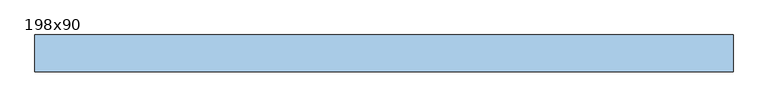
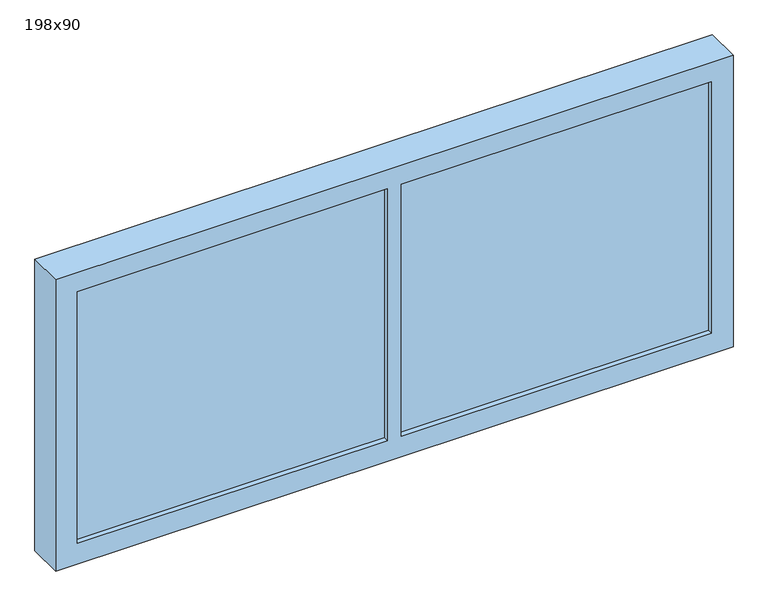
"""IFC4 building model written with IfcOpenShell, lengths in millimetres: window geometry, 198x90."""

from ifc_helpers import new_model, si_unit, frame, origin, place, context, project, spatial, polyline, outline, extrude, faceted_brep, source, transform, mapped, element, save


def window_198x90_74bb4754(model_context):
    return source(origin(), model_context, "Body", "SolidModel", [
        extrude(outline(polyline([(888.4, 111.425), (-964.6, 111.425), (-964.6, 124.125), (888.4, 124.125), (888.4, 111.425)])), frame((0.0, 0.0, 977.9), z_axis=(0.0, 0.0, 1.0), x_axis=(1.0, 0.0, 0.0)), (0.0, 0.0, 1.0), 777.45),
        faceted_brep([(951.9, 200.0, 1814.4), (951.9, 200.0, 914.4), (-1028.1, 200.0, 914.4), (-1028.1, 200.0, 1814.4), (932.85, 200.0, 1795.35), (-1009.05, 200.0, 1795.35), (-1009.05, 200.0, 933.45), (932.85, 200.0, 933.45), (-1028.1, 95.55, 914.4), (-1028.1, 95.55, 1814.4), (951.9, 95.55, 914.4), (951.9, 95.55, 1814.4), (932.85, 140.0, 933.45), (932.85, 140.0, 1795.35), (-1009.05, 140.0, 933.45), (-1009.05, 140.0, 1795.35), (-18.1, 140.0, 1795.35), (-58.1, 140.0, 1795.35), (-58.1, 140.0, 1755.35), (-58.1, 140.0, 977.9), (-58.1, 95.55, 977.9), (-58.1, 95.55, 1755.35), (888.4, 140.0, 977.9), (888.4, 140.0, 1755.35), (-18.1, 140.0, 1755.35), (-18.1, 140.0, 977.9), (-964.6, 140.0, 1755.35), (-964.6, 140.0, 977.9), (-964.6, 95.55, 1755.35), (-964.6, 95.55, 977.9), (888.4, 95.55, 977.9), (-18.1, 95.55, 977.9), (-18.1, 95.55, 1755.35), (888.4, 95.55, 1755.35)], [[[0, 1, 2, 3], [4, 5, 6, 7]], [[8, 9, 3, 2]], [[10, 8, 2, 1]], [[11, 10, 1, 0]], [[4, 7, 12, 13]], [[7, 6, 14, 12]], [[6, 5, 15, 14]], [[5, 4, 13, 16, 17, 15]], [[18, 19, 20, 21]], [[13, 12, 14, 15, 17, 16], [22, 23, 24, 25], [26, 27, 19, 18]], [[27, 26, 28, 29]], [[27, 29, 20, 19]], [[30, 22, 25, 31]], [[32, 31, 25, 24]], [[23, 22, 30, 33]], [[11, 9, 8, 10], [29, 28, 21, 20], [33, 30, 31, 32]], [[11, 0, 3, 9]], [[28, 26, 18, 21]], [[23, 33, 32, 24]]]),
    ])


if __name__ == "__main__":
    model = new_model("IFC4")
    model_context = context("Model", 3, world=origin())
    ifc_project = project(units=[si_unit("LENGTHUNIT", "METRE", prefix="MILLI")], contexts=[model_context])
    site = spatial("IfcSite", under=ifc_project)
    building = spatial("IfcBuilding", under=site)
    placement = place(None, origin())
    window_198x90_shape = window_198x90_74bb4754(model_context)
    element("IfcWindow", 1, ObjectType="198x90", at=placement, inside=building, context=model_context, shape_type="MappedRepresentation", body=[
        mapped(window_198x90_shape, transform((0.0, 0.0, 0.0), x_axis=(1.0, 0.0, 0.0), y_axis=(0.0, 1.0, 0.0), z_axis=(0.0, 0.0, 1.0))),
    ])
    save(model, "model.ifc")
